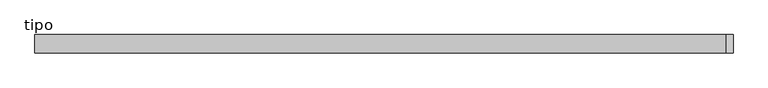
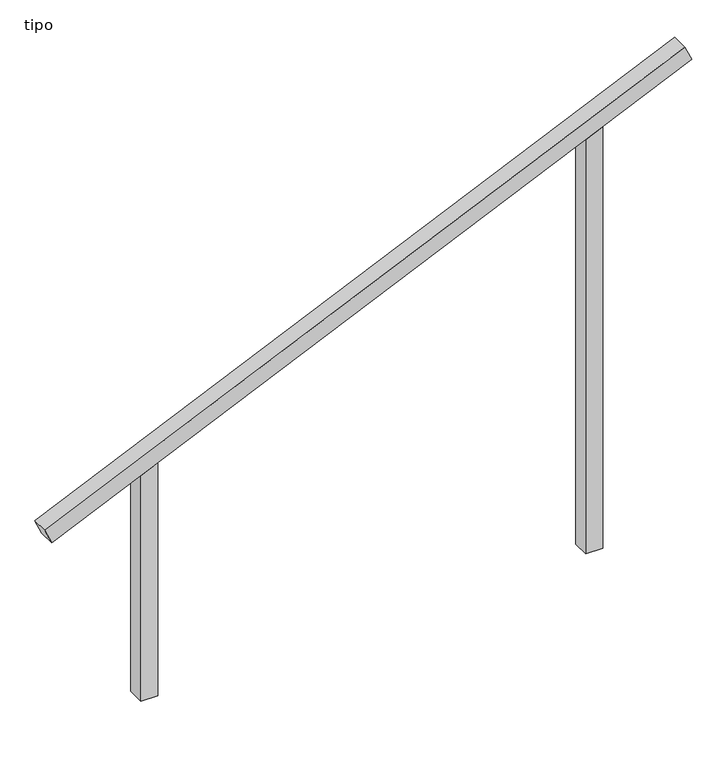
"""IFC4 building model written with IfcOpenShell, lengths in millimetres: proxy geometry, tipo."""

from ifc_helpers import new_model, si_unit, frame, origin, place, context, project, spatial, polyline, outline, extrude, source, transform, mapped, element, save


def tipo_d76a4ec4(model_context):
    return source(origin(), model_context, "Body", "SweptSolid", [
        extrude(outline(polyline([(0.0, -4099.9999999), (0.0, 0.0), (100.0, 0.0), (100.0, -4099.9999999), (0.0, -4099.9999999)])), frame((-1870.595187, -100.0, 1161.3262576), z_axis=(-0.4091091426476207, 0.0, 0.9124854570907577), x_axis=(0.0, 1.0, 0.0)), (0.0, 0.0, 1.0), 100.0),
        extrude(outline(polyline([(2605.2670081, 1350.0), (2560.4324149, 1250.0), (0.0, 1250.0), (0.0, 1350.0), (2605.2670081, 1350.0)])), frame((0.0, -100.0, 0.0), z_axis=(0.0, 1.0, 0.0), x_axis=(0.0, 0.0, 1.0)), (0.0, 0.0, 1.0), 100.0),
        extrude(outline(polyline([(1394.7329919, -1350.0), (0.0, -1350.0), (0.0, -1250.0), (1439.5675851, -1250.0), (1394.7329919, -1350.0)])), frame((0.0, -100.0, 0.0), z_axis=(0.0, 1.0, 0.0), x_axis=(0.0, 0.0, 1.0)), (0.0, 0.0, 1.0), 100.0),
    ])


if __name__ == "__main__":
    model = new_model("IFC4")
    model_context = context("Model", 3, world=origin())
    ifc_project = project(units=[si_unit("LENGTHUNIT", "METRE", prefix="MILLI")], contexts=[model_context])
    site = spatial("IfcSite", under=ifc_project)
    building = spatial("IfcBuilding", under=site)
    placement = place(None, origin())
    tipo_shape = tipo_d76a4ec4(model_context)
    element("IfcBuildingElementProxy", 1, Name="tipo", ObjectType="tipo", at=placement, inside=building, context=model_context, shape_type="MappedRepresentation", body=[
        mapped(tipo_shape, transform((0.0, 0.0, 0.0), x_axis=(1.0, 0.0, 0.0), y_axis=(0.0, 1.0, 0.0), z_axis=(0.0, 0.0, 1.0))),
    ])
    save(model, "model.ifc")
